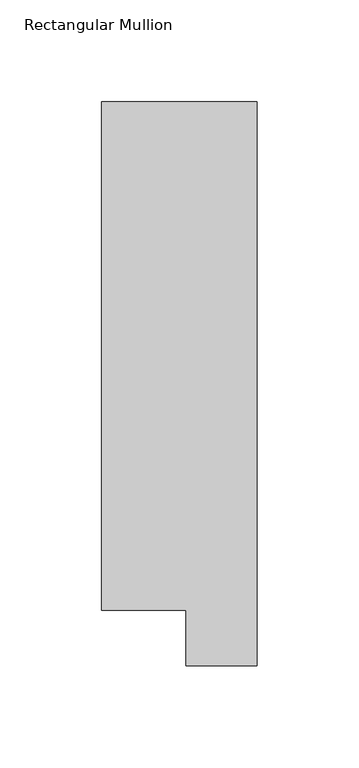
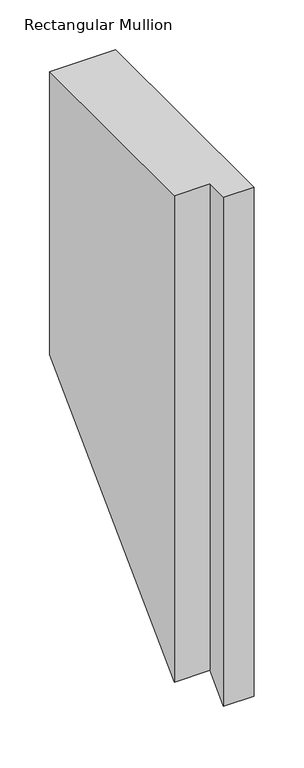
"""IFC4 building model written with IfcOpenShell, lengths in millimetres: member geometry, Rectangular Mullion."""

from ifc_helpers import new_model, si_unit, origin, place, context, project, spatial, faceted_brep, source, transform, mapped, element, save


def rectangular_mullion_7bc02c05(model_context):
    return source(origin(), model_context, "Body", "Brep", [
        faceted_brep([(-3.3e-06, 295.9695326, 0.0), (-76.2000033, 295.9695317, 0.0), (-76.2000003, 46.7447306, 0.0), (-34.9123003, 46.7447311, 0.0), (-34.9123, 19.5667322, 0.0), (0.0, 19.5667326, 0.0), (-3.3e-06, 295.9695326, -345.3804674), (-76.2000033, 295.9695317, -345.3804683), (-76.2000003, 46.7447306, -594.6052694), (-34.9123003, 46.7447311, -594.6052689), (-34.9123, 19.5667322, -621.7832678), (0.0, 19.5667326, -621.7832674)], [[[0, 1, 2, 3, 4, 5]], [[1, 0, 6, 7]], [[2, 1, 7, 8]], [[3, 2, 8, 9]], [[4, 3, 9, 10]], [[5, 4, 10, 11]], [[0, 5, 11, 6]], [[6, 11, 10, 9, 8, 7]]]),
    ])


if __name__ == "__main__":
    model = new_model("IFC4")
    model_context = context("Model", 3, world=origin())
    ifc_project = project(units=[si_unit("LENGTHUNIT", "METRE", prefix="MILLI")], contexts=[model_context])
    site = spatial("IfcSite", under=ifc_project)
    building = spatial("IfcBuilding", under=site)
    placement = place(None, origin())
    rectangular_mullion_shape = rectangular_mullion_7bc02c05(model_context)
    element("IfcMember", 1, ObjectType="Rectangular Mullion", at=placement, inside=building, context=model_context, shape_type="MappedRepresentation", body=[
        mapped(rectangular_mullion_shape, transform((0.0, 0.0, 0.0), x_axis=(1.0, 0.0, 0.0), y_axis=(0.0, 1.0, 0.0), z_axis=(0.0, 0.0, 1.0))),
    ])
    save(model, "model.ifc")
